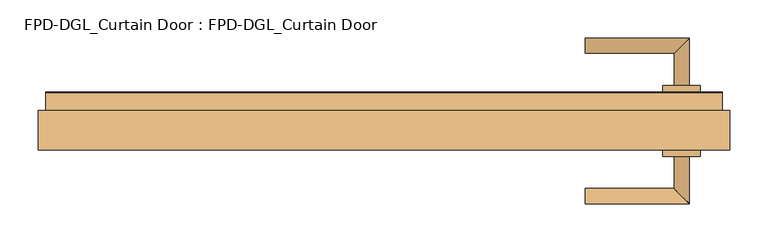
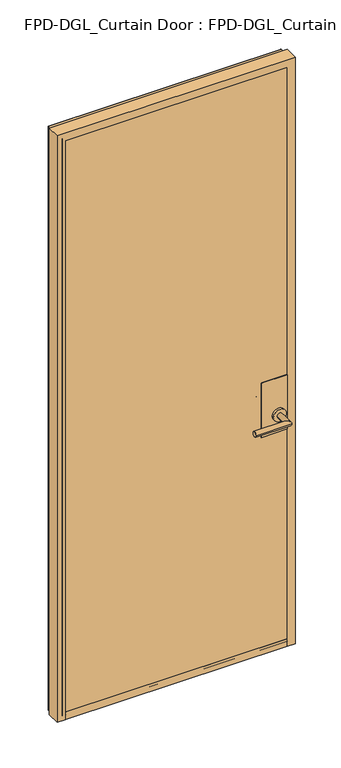
"""IFC4 building model written with IfcOpenShell, lengths in millimetres: door geometry, FPD-DGL_Curtain Door : FPD-DGL_Curtain Door."""

from ifc_helpers import new_model, si_unit, point, frame, frame_2d, origin, place, context, project, spatial, polyline, circle_curve, ellipse_curve, trimmed, segment, composite_curve, outline, extrude, source, transform, mapped, element, save
from ifc_brep_helpers import plane_surface, cylinder_surface, revolved_surface, advanced_brep


def fpd_dgl_curtain_door_fpd_dgl_curtain_door_d322583b(model_context):
    return source(origin(), model_context, "Body", "SolidModel", [
        advanced_brep(
        [(264.5094563, 89.1684274, 965.2), (264.5094563, 109.240371, 965.2), (381.3590967, 89.1684274, 965.2), (401.4310403, 109.240371, 965.2), (381.3590967, 46.5341787, 965.2), (401.4310403, 46.5341787, 965.2)],
        [
            (0, 1, circle_curve(frame((264.5094563, 99.2043992, 965.2), z_axis=(-1.0, 0.0, 0.0), x_axis=(0.0, 1.0, 0.0)), 10.0359718)),
            (1, 0, circle_curve(frame((264.5094563, 99.2043992, 965.2), z_axis=(-1.0, 0.0, 0.0), x_axis=(0.0, 1.0, 0.0)), 10.0359718)),
            (0, 2),
            (2, 3, ellipse_curve(frame((391.3950685, 99.2043992, 965.2), z_axis=(-0.7071067811865464, 0.7071067811865488, 0.0), x_axis=(-0.7071067811865487, -0.7071067811865464, 0.0)), 14.1930074, 10.0359718)),
            (3, 1),
            (3, 2, ellipse_curve(frame((391.3950685, 99.2043992, 965.2), z_axis=(-0.7071067811865464, 0.7071067811865488, 0.0), x_axis=(-0.7071067811865487, -0.7071067811865464, 0.0)), 14.1930074, 10.0359718)),
            (4, 5, circle_curve(frame((391.3950685, 46.5341787, 965.2), z_axis=(0.0, -1.0, 0.0), x_axis=(1.0, 0.0, 0.0)), 10.0359718)),
            (5, 4, circle_curve(frame((391.3950685, 46.5341787, 965.2), z_axis=(0.0, -1.0, 0.0), x_axis=(1.0, 0.0, 0.0)), 10.0359718)),
            (2, 4),
            (5, 3),
        ],
        [
            plane_surface(frame((264.5094563, 99.2043992, 965.2), z_axis=(-1.0, 0.0, 0.0), x_axis=(0.0, 0.0, 1.0))),
            cylinder_surface(frame((264.5094563, 99.2043992, 965.2), z_axis=(-1.0, 0.0, 0.0), x_axis=(0.0, 1.0, 0.0)), 10.0359718),
            plane_surface(frame((391.3950685, 46.5341787, 965.2), z_axis=(0.0, -1.0, 0.0), x_axis=(0.0, 0.0, 1.0))),
            cylinder_surface(frame((391.3950685, 99.2043992, 965.2), z_axis=(0.0, 1.0, 0.0), x_axis=(1.0, 0.0, 0.0)), 10.0359718),
        ],
        [
            (0, [[1, 2]]),
            (1, [[-1, 3, 4, 5]]),
            (1, [[-2, -5, 6, -3]]),
            (2, [[7, 8]]),
            (3, [[-4, 9, -8, 10]]),
            (3, [[-6, -10, -7, -9]]),
        ],
    ),
        advanced_brep(
        [(381.3590967, -46.3299066, 965.2), (401.4310403, -46.3299066, 965.2), (381.3590967, -88.9641553, 965.2), (401.4310403, -109.0360989, 965.2), (264.5094563, -88.9641553, 965.2), (264.5094563, -109.0360989, 965.2)],
        [
            (0, 1, circle_curve(frame((391.3950685, -46.3299066, 965.2), z_axis=(0.0, 1.0, 0.0), x_axis=(1.0, 0.0, 0.0)), 10.0359718)),
            (1, 0, circle_curve(frame((391.3950685, -46.3299066, 965.2), z_axis=(0.0, 1.0, 0.0), x_axis=(1.0, 0.0, 0.0)), 10.0359718)),
            (0, 2),
            (2, 3, ellipse_curve(frame((391.3950685, -99.0001271, 965.2), z_axis=(0.7071067811865487, 0.7071067811865464, 0.0), x_axis=(-0.7071067811865464, 0.7071067811865487, 0.0)), 14.1930074, 10.0359718)),
            (3, 1),
            (3, 2, ellipse_curve(frame((391.3950685, -99.0001271, 965.2), z_axis=(0.7071067811865487, 0.7071067811865464, 0.0), x_axis=(-0.7071067811865464, 0.7071067811865487, 0.0)), 14.1930074, 10.0359718)),
            (4, 5, circle_curve(frame((264.5094563, -99.0001271, 965.2), z_axis=(-1.0, 0.0, 0.0), x_axis=(0.0, -1.0, 0.0)), 10.0359718)),
            (5, 4, circle_curve(frame((264.5094563, -99.0001271, 965.2), z_axis=(-1.0, 0.0, 0.0), x_axis=(0.0, -1.0, 0.0)), 10.0359718)),
            (2, 4),
            (5, 3),
        ],
        [
            plane_surface(frame((391.3950685, -46.3299066, 965.2), z_axis=(0.0, 1.0, 0.0), x_axis=(0.0, 0.0, 1.0))),
            cylinder_surface(frame((391.3950685, -46.3299066, 965.2), z_axis=(0.0, 1.0, 0.0), x_axis=(1.0, 0.0, 0.0)), 10.0359718),
            plane_surface(frame((264.5094563, -99.0001271, 965.2), z_axis=(-1.0, 0.0, 0.0), x_axis=(0.0, 0.0, 1.0))),
            cylinder_surface(frame((391.3950685, -99.0001271, 965.2), z_axis=(1.0, 0.0, 0.0), x_axis=(0.0, -1.0, 0.0)), 10.0359718),
        ],
        [
            (0, [[1, 2]]),
            (1, [[-1, 3, 4, 5]]),
            (1, [[-2, -5, 6, -3]]),
            (2, [[7, 8]]),
            (3, [[-4, 9, -8, 10]]),
            (3, [[-6, -10, -7, -9]]),
        ],
    ),
        extrude(outline(composite_curve([segment(trimmed(circle_curve(frame_2d((965.2, 391.3950685)), 24.60625), [point((965.2, 366.7888185))], [point((965.2, 416.0013185))], False, "CARTESIAN"), True, "CONTINUOUS"), segment(trimmed(circle_curve(frame_2d((965.2, 391.3950685)), 24.60625), [point((965.2, 416.0013185))], [point((965.2, 366.7888185))], False, "CARTESIAN"), True, "CONTINUOUS")], self_intersect=False)), frame((0.0, -46.3299066, 0.0), z_axis=(0.0, 1.0, 0.0), x_axis=(0.0, 0.0, 1.0)), (0.0, 0.0, 1.0), 8.3298107),
        extrude(outline(composite_curve([segment(trimmed(circle_curve(frame_2d((965.2, 391.3950685)), 24.60625), [point((965.2, 366.7888185))], [point((965.2, 416.0013185))], False, "CARTESIAN"), True, "CONTINUOUS"), segment(trimmed(circle_curve(frame_2d((965.2, 391.3950685)), 24.60625), [point((965.2, 416.0013185))], [point((965.2, 366.7888185))], False, "CARTESIAN"), True, "CONTINUOUS")], self_intersect=False)), frame((0.0, 38.1999024, 0.0), z_axis=(0.0, 1.0, 0.0), x_axis=(0.0, 0.0, 1.0)), (0.0, 0.0, 1.0), 8.3342763),
        extrude(outline(polyline([(424.8951285, -38.0000959), (324.8950159, -38.0000959), (324.8950159, -36.6000989), (424.8951285, -36.6000989), (424.8951285, -38.0000959)])), frame((0.0, 0.0, 893.55), z_axis=(0.0, 0.0, 1.0), x_axis=(1.0, 0.0, 0.0)), (0.0, 0.0, 1.0), 220.0),
        extrude(outline(polyline([(424.8951285, 36.7999054), (324.8950159, 36.7999054), (324.8950159, 38.1999024), (424.8951285, 38.1999024), (424.8951285, 36.7999054)])), frame((0.0, 0.0, 893.55), z_axis=(0.0, 0.0, 1.0), x_axis=(1.0, 0.0, 0.0)), (0.0, 0.0, 1.0), 220.0),
        extrude(outline(polyline([(-435.4912996, 28.1030481), (-435.4912996, 36.7999054), (435.4912996, 36.7999054), (435.4912996, 28.1030481), (-435.4912996, 28.1030481)])), frame((0.0, 0.0, 35.2749614), z_axis=(0.0, 0.0, 1.0), x_axis=(1.0, 0.0, 0.0)), (0.0, 0.0, 1.0), 2331.3480058),
        extrude(outline(polyline([(435.4912996, -28.0762398), (435.4912996, -36.7730971), (-435.4912996, -36.7730971), (-435.4912996, -28.0762398), (435.4912996, -28.0762398)])), frame((0.0, 0.0, 35.2749614), z_axis=(0.0, 0.0, 1.0), x_axis=(1.0, 0.0, 0.0)), (0.0, 0.0, 1.0), 2331.3480058),
        advanced_brep(
        [(454.8842919, -38.0731917, 15.875), (424.8951285, -38.0731917, 15.875), (424.8951285, -36.773661, 15.875), (435.4912997, -36.773661, 15.875), (435.4912997, -28.076804, 15.875), (424.8951285, -28.076804, 15.875), (424.8951285, 28.1030481, 15.875), (435.4912996, 28.1030481, 15.875), (435.4912996, 36.7999054, 15.875), (424.8951285, 36.7999054, 15.875), (424.8951285, 38.0994357, 15.875), (443.7699186, 38.0994357, 15.875), (444.5696296, 37.2997247, 15.875), (444.5696296, 13.9501736, 15.875), (454.8842919, 13.9501736, 15.875), (454.8842919, -38.0731917, 2386.0159594), (-454.8842919, -38.0731917, 2386.0159594), (-454.8842919, -38.0731917, 15.875), (-424.8951285, -38.0731917, 15.875), (-424.8951285, -38.0731917, 2356.026796), (424.8951285, -38.0731917, 2356.026796), (424.8951285, -36.773661, 2356.026796), (-424.8951285, -36.773661, 2356.026796), (-424.8951285, -36.773661, 15.875), (-435.4912997, -36.773661, 15.875), (-435.4912997, -36.773661, 2366.6229672), (435.4912997, -36.773661, 2366.6229672), (435.4912997, -28.076804, 2366.6229672), (-435.4912997, -28.076804, 2366.6229672), (-435.4912997, -28.076804, 15.875), (-424.8951285, -28.076804, 15.875), (-424.8951285, -28.076804, 2356.026796), (424.8951285, -28.076804, 2356.026796), (424.8951285, 28.1030481, 2356.026796), (-424.8951285, 28.1030481, 2356.026796), (-424.8951285, 28.1030481, 15.875), (-435.4912996, 28.1030481, 15.875), (-435.4912996, 28.1030481, 2366.6229671), (435.4912996, 28.1030481, 2366.6229671), (435.4912996, 36.7999054, 2366.6229671), (-435.4912996, 36.7999054, 2366.6229671), (-435.4912996, 36.7999054, 15.875), (-424.8951285, 36.7999054, 15.875), (-424.8951285, 36.7999054, 2356.026796), (424.8951285, 36.7999054, 2356.026796), (424.8951285, 38.0994357, 2356.026796), (-424.8951285, 38.0994357, 2356.026796), (-424.8951285, 38.0994357, 15.875), (-443.7699186, 38.0994357, 15.875), (-443.7699186, 38.0994357, 2374.9015861), (443.7699186, 38.0994357, 2374.9015861), (444.5696296, 37.2997247, 2375.7012971), (444.5696296, 13.9501736, 2375.7012971), (-444.5696296, 13.9501736, 2375.7012971), (-444.5696296, 13.9501736, 15.875), (-454.8842919, 13.9501736, 15.875), (-454.8842919, 13.9501736, 2386.0159594), (454.8842919, 13.9501736, 2386.0159594), (-444.5696296, 37.2997247, 15.875), (-444.5696296, 37.2997247, 2375.7012971)],
        [
            (0, 1),
            (1, 2),
            (2, 3),
            (3, 4),
            (4, 5),
            (5, 6),
            (6, 7),
            (7, 8),
            (8, 9),
            (9, 10),
            (10, 11),
            (11, 12, circle_curve(frame((443.7699186, 37.2997247, 15.875), z_axis=(0.0, 0.0, -1.0), x_axis=(0.0, -1.0, 0.0)), 0.799711)),
            (12, 13),
            (13, 14),
            (14, 0),
            (0, 15),
            (15, 16),
            (16, 17),
            (17, 18),
            (18, 19),
            (19, 20),
            (20, 1),
            (20, 21),
            (21, 2),
            (21, 22),
            (22, 23),
            (23, 24),
            (24, 25),
            (25, 26),
            (26, 3),
            (26, 27),
            (27, 4),
            (27, 28),
            (28, 29),
            (29, 30),
            (30, 31),
            (31, 32),
            (32, 5),
            (32, 33),
            (33, 6),
            (33, 34),
            (34, 35),
            (35, 36),
            (36, 37),
            (37, 38),
            (38, 7),
            (38, 39),
            (39, 8),
            (39, 40),
            (40, 41),
            (41, 42),
            (42, 43),
            (43, 44),
            (44, 9),
            (44, 45),
            (45, 10),
            (45, 46),
            (46, 47),
            (47, 48),
            (48, 49),
            (49, 50),
            (50, 11),
            (50, 51, ellipse_curve(frame((443.7699186, 37.2997247, 2374.9015861), z_axis=(0.7071067811865475, 0.0, -0.7071067811865475), x_axis=(-0.7071067811865474, 0.0, -0.7071067811865476)), 1.1309622, 0.799711)),
            (51, 12),
            (51, 52),
            (52, 13),
            (52, 53),
            (53, 54),
            (54, 55),
            (55, 56),
            (56, 57),
            (57, 14),
            (57, 15),
            (16, 56),
            (55, 17),
            (54, 58),
            (58, 48, circle_curve(frame((-443.7699186, 37.2997247, 15.875), z_axis=(0.0, 0.0, -1.0), x_axis=(0.0, -1.0, 0.0)), 0.799711)),
            (47, 42),
            (41, 36),
            (35, 30),
            (29, 24),
            (23, 18),
            (22, 19),
            (28, 25),
            (34, 31),
            (40, 37),
            (46, 43),
            (59, 49, ellipse_curve(frame((-443.7699186, 37.2997247, 2374.9015861), z_axis=(-0.7071067811865475, 0.0, -0.7071067811865475), x_axis=(-0.7071067811865474, 0.0, 0.7071067811865476)), 1.1309622, 0.799711)),
            (58, 59),
            (53, 59),
            (59, 51),
        ],
        [
            plane_surface(frame((454.8842919, 0.0134041, 15.875), z_axis=(0.0, 0.0, -1.0), x_axis=(0.0, -1.0, 0.0))),
            plane_surface(frame((454.8842919, -38.0731917, 15.875), z_axis=(0.0, -1.0, 0.0), x_axis=(0.0, 0.0, 1.0))),
            plane_surface(frame((424.8951285, -38.0731917, 15.875), z_axis=(-1.0, 0.0, 0.0), x_axis=(0.0, 0.0, 1.0))),
            plane_surface(frame((424.8951285, -36.773661, 15.875), z_axis=(0.0, 1.0, 0.0), x_axis=(0.0, 0.0, 1.0))),
            plane_surface(frame((435.4912997, -36.773661, 15.875), z_axis=(-1.0, 0.0, 0.0), x_axis=(0.0, 0.0, 1.0))),
            plane_surface(frame((435.4912997, -28.076804, 15.875), z_axis=(0.0, -1.0, 0.0), x_axis=(0.0, 0.0, 1.0))),
            plane_surface(frame((424.8951285, -28.076804, 15.875), z_axis=(-1.0, 0.0, 0.0), x_axis=(0.0, 0.0, 1.0))),
            plane_surface(frame((424.8951285, 28.1030481, 15.875), z_axis=(0.0, 1.0, 0.0), x_axis=(0.0, 0.0, 1.0))),
            plane_surface(frame((435.4912996, 28.1030481, 15.875), z_axis=(-1.0, 0.0, 0.0), x_axis=(0.0, 0.0, 1.0))),
            plane_surface(frame((435.4912996, 36.7999054, 15.875), z_axis=(0.0, -1.0, 0.0), x_axis=(0.0, 0.0, 1.0))),
            plane_surface(frame((424.8951285, 36.7999054, 15.875), z_axis=(-1.0, 0.0, 0.0), x_axis=(0.0, 0.0, 1.0))),
            plane_surface(frame((424.8951285, 38.0994357, 15.875), z_axis=(0.0, 1.0, 0.0), x_axis=(0.0, 0.0, 1.0))),
            cylinder_surface(frame((443.7699186, 37.2997247, 15.875), z_axis=(0.0, 0.0, -1.0), x_axis=(0.0, -1.0, 0.0)), 0.799711),
            plane_surface(frame((444.5696296, 37.2997247, 15.875), z_axis=(1.0, 0.0, 0.0), x_axis=(0.0, 0.0, 1.0))),
            plane_surface(frame((444.5696296, 13.9501736, 15.875), z_axis=(0.0, 1.0, 0.0), x_axis=(0.0, 0.0, 1.0))),
            plane_surface(frame((454.8842919, 13.9501736, 15.875), z_axis=(1.0, 0.0, 0.0), x_axis=(0.0, 0.0, 1.0))),
            plane_surface(frame((-454.8842919, 13.9501736, 2386.0159594), z_axis=(-1.0, 0.0, 0.0), x_axis=(0.0, 0.0, -1.0))),
            plane_surface(frame((-454.8842919, 0.0134041, 15.875), z_axis=(0.0, 0.0, -1.0), x_axis=(0.0, -1.0, 0.0))),
            plane_surface(frame((-424.8951285, -38.0731917, 2356.026796), z_axis=(1.0, 0.0, 0.0), x_axis=(0.0, 0.0, -1.0))),
            plane_surface(frame((-435.4912997, -36.773661, 2366.6229672), z_axis=(1.0, 0.0, 0.0), x_axis=(0.0, 0.0, -1.0))),
            plane_surface(frame((-424.8951285, -28.076804, 2356.026796), z_axis=(1.0, 0.0, 0.0), x_axis=(0.0, 0.0, -1.0))),
            plane_surface(frame((-435.4912996, 28.1030481, 2366.6229671), z_axis=(1.0, 0.0, 0.0), x_axis=(0.0, 0.0, -1.0))),
            plane_surface(frame((-424.8951285, 36.7999054, 2356.026796), z_axis=(1.0, 0.0, 0.0), x_axis=(0.0, 0.0, -1.0))),
            cylinder_surface(frame((-443.7699186, 37.2997247, 2386.0159594), z_axis=(0.0, 0.0, 1.0), x_axis=(0.0, -1.0, 0.0)), 0.799711),
            plane_surface(frame((-444.5696296, 37.2997247, 2375.7012971), z_axis=(-1.0, 0.0, 0.0), x_axis=(0.0, 0.0, -1.0))),
            plane_surface(frame((424.8951285, -38.0731917, 2356.026796), z_axis=(0.0, 0.0, -1.0), x_axis=(-1.0, 0.0, 0.0))),
            plane_surface(frame((435.4912997, -36.773661, 2366.6229672), z_axis=(0.0, 0.0, -1.0), x_axis=(-1.0, 0.0, 0.0))),
            plane_surface(frame((424.8951285, -28.076804, 2356.026796), z_axis=(0.0, 0.0, -1.0), x_axis=(-1.0, 0.0, 0.0))),
            plane_surface(frame((435.4912996, 28.1030481, 2366.6229671), z_axis=(0.0, 0.0, -1.0), x_axis=(-1.0, 0.0, 0.0))),
            plane_surface(frame((424.8951285, 36.7999054, 2356.026796), z_axis=(0.0, 0.0, -1.0), x_axis=(-1.0, 0.0, 0.0))),
            cylinder_surface(frame((454.8842919, 37.2997247, 2374.9015861), z_axis=(1.0, 0.0, 0.0), x_axis=(0.0, -1.0, 0.0)), 0.799711),
            plane_surface(frame((444.5696296, 37.2997247, 2375.7012971), z_axis=(0.0, 0.0, 1.0), x_axis=(-1.0, 0.0, 0.0))),
            plane_surface(frame((454.8842919, 13.9501736, 2386.0159594), z_axis=(0.0, 0.0, 1.0), x_axis=(-1.0, 0.0, 0.0))),
        ],
        [
            (0, [[1, 2, 3, 4, 5, 6, 7, 8, 9, 10, 11, 12, 13, 14, 15]]),
            (1, [[-1, 16, 17, 18, 19, 20, 21, 22]]),
            (2, [[-2, -22, 23, 24]]),
            (3, [[-3, -24, 25, 26, 27, 28, 29, 30]]),
            (4, [[-4, -30, 31, 32]]),
            (5, [[-5, -32, 33, 34, 35, 36, 37, 38]]),
            (6, [[-6, -38, 39, 40]]),
            (7, [[-7, -40, 41, 42, 43, 44, 45, 46]]),
            (8, [[-8, -46, 47, 48]]),
            (9, [[-9, -48, 49, 50, 51, 52, 53, 54]]),
            (10, [[-10, -54, 55, 56]]),
            (11, [[-11, -56, 57, 58, 59, 60, 61, 62]]),
            (12, [[-12, -62, 63, 64]]),
            (13, [[-13, -64, 65, 66]]),
            (14, [[-14, -66, 67, 68, 69, 70, 71, 72]]),
            (15, [[-15, -72, 73, -16]]),
            (16, [[74, -70, 75, -18]]),
            (17, [[-75, -69, 76, 77, -59, 78, -51, 79, -43, 80, -35, 81, -27, 82, -19]]),
            (18, [[83, -20, -82, -26]]),
            (19, [[84, -28, -81, -34]]),
            (20, [[85, -36, -80, -42]]),
            (21, [[86, -44, -79, -50]]),
            (22, [[87, -52, -78, -58]]),
            (23, [[88, -60, -77, 89]]),
            (24, [[90, -89, -76, -68]]),
            (25, [[-23, -21, -83, -25]]),
            (26, [[-31, -29, -84, -33]]),
            (27, [[-39, -37, -85, -41]]),
            (28, [[-47, -45, -86, -49]]),
            (29, [[-55, -53, -87, -57]]),
            (30, [[-63, -61, -88, 91]]),
            (31, [[-65, -91, -90, -67]]),
            (32, [[-73, -71, -74, -17]]),
        ],
    ),
        advanced_brep(
        [(424.8951285, 28.127892, 45.8749402), (424.8951285, -28.0721576, 45.8749402), (424.8951285, -28.0721576, 35.2749614), (424.8951285, -36.2721409, 35.2749614), (424.8951285, -36.7721399, 35.7749604), (424.8951285, -36.7721402, 43.0952793), (424.8951285, -36.6721405, 44.0749436), (424.8951285, -36.6721405, 45.8749402), (424.8951285, -38.0721375, 45.8749402), (424.8951285, -38.0721375, 15.875), (424.8951285, 37.3278641, 15.875), (424.8951285, 38.1278625, 16.6749984), (424.8951285, 38.1278625, 45.8749402), (424.8951285, 36.7278654, 45.8749402), (424.8951285, 36.7278654, 44.0749434), (424.8951285, 36.8278651, 43.0952791), (424.8951285, 36.8278651, 35.2749613), (424.8951285, 28.127892, 35.2749613), (-425.1725496, 28.127892, 45.8749402), (-425.1725496, 28.127892, 35.2749613), (-425.1725496, 36.8278651, 35.2749613), (-425.1725496, 36.8278651, 43.0952791), (-425.1725496, 36.7278654, 44.0749434), (-425.1725496, 36.7278654, 45.8749402), (-425.1725496, 38.1278625, 45.8749402), (-425.1725496, 38.1278625, 16.6749984), (-425.1725496, 37.3278641, 15.875), (-425.1725496, -38.0721375, 15.875), (-425.1725496, -38.0721375, 45.8749402), (-425.1725496, -36.6721405, 45.8749402), (-425.1725496, -36.6721405, 44.0749436), (-425.1725496, -36.7721402, 43.0952793), (-425.1725496, -36.7721402, 35.7749604), (-425.1725496, -36.2721409, 35.2749614), (-425.1725496, -28.0721576, 35.2749614), (-425.1725496, -28.0721576, 45.8749402)],
        [
            (0, 1),
            (1, 2),
            (2, 3),
            (3, 4, circle_curve(frame((424.8951285, -36.2721409, 35.7749604), z_axis=(-1.0, 0.0, 0.0), x_axis=(0.0, 0.0, -1.0)), 0.499999)),
            (4, 5),
            (5, 6),
            (6, 7),
            (7, 8),
            (8, 9),
            (9, 10),
            (10, 11, circle_curve(frame((424.8951285, 37.3278641, 16.6749984), z_axis=(1.0, 0.0, 0.0), x_axis=(0.0, 0.0, -1.0)), 0.7999984)),
            (11, 12),
            (12, 13),
            (13, 14),
            (14, 15),
            (15, 16),
            (16, 17),
            (17, 0),
            (18, 19),
            (19, 20),
            (20, 21),
            (21, 22),
            (22, 23),
            (23, 24),
            (24, 25),
            (25, 26, circle_curve(frame((-425.1725496, 37.3278641, 16.6749984), z_axis=(-1.0, 0.0, 0.0), x_axis=(0.0, 0.0, -1.0)), 0.7999984)),
            (26, 27),
            (27, 28),
            (28, 29),
            (29, 30),
            (30, 31),
            (31, 32),
            (32, 33, circle_curve(frame((-425.1725496, -36.2721409, 35.7749604), z_axis=(1.0, 0.0, 0.0), x_axis=(0.0, 0.0, -1.0)), 0.499999)),
            (33, 34),
            (34, 35),
            (35, 18),
            (0, 18),
            (35, 1),
            (34, 2),
            (33, 3),
            (32, 4),
            (31, 5),
            (30, 6),
            (29, 7),
            (28, 8),
            (27, 9),
            (26, 10),
            (25, 11),
            (24, 12),
            (23, 13),
            (22, 14),
            (21, 15),
            (20, 16),
            (19, 17),
        ],
        [
            plane_surface(frame((424.8951285, 0.0134041, 15.875), z_axis=(1.0, 0.0, 0.0), x_axis=(0.0, -1.0, 0.0))),
            plane_surface(frame((-425.1725496, 0.0134041, 15.875), z_axis=(-1.0, 0.0, 0.0), x_axis=(0.0, -1.0, 0.0))),
            plane_surface(frame((424.8951285, 28.127892, 45.8749402), z_axis=(0.0, 0.0, 1.0), x_axis=(-1.0, 0.0, 0.0))),
            plane_surface(frame((424.8951285, -28.0721576, 45.8749402), z_axis=(0.0, -1.0, 0.0), x_axis=(-1.0, 0.0, 0.0))),
            plane_surface(frame((424.8951285, -28.0721576, 35.2749614), z_axis=(0.0, 0.0, 1.0), x_axis=(-1.0, 0.0, 0.0))),
            revolved_surface(polyline([(-425.17254959999997, -36.2721409, 35.274961399999995), (424.8951285, -36.2721409, 35.274961399999995)]), (424.8951285, -36.2721409, 35.7749604), (-1.0, 0.0, 0.0)),
            plane_surface(frame((424.8951285, -36.7721402, 35.7749604), z_axis=(0.0, 1.0, 0.0), x_axis=(-1.0, 0.0, 0.0))),
            plane_surface(frame((424.8951285, -36.7721402, 43.0952793), z_axis=(0.0, 0.9948306566600448, -0.10154784374541988), x_axis=(-1.0, 0.0, 0.0))),
            plane_surface(frame((424.8951285, -36.6721405, 44.0749436), z_axis=(0.0, 1.0, 0.0), x_axis=(-1.0, 0.0, 0.0))),
            plane_surface(frame((424.8951285, -36.6721405, 45.8749402), z_axis=(0.0, 0.0, 1.0), x_axis=(-1.0, 0.0, 0.0))),
            plane_surface(frame((424.8951285, -38.0721375, 45.8749402), z_axis=(0.0, -1.0, 0.0), x_axis=(-1.0, 0.0, 0.0))),
            plane_surface(frame((424.8951285, -38.0721375, 15.875), z_axis=(0.0, 0.0, -1.0), x_axis=(-1.0, 0.0, 0.0))),
            cylinder_surface(frame((424.8951285, 37.3278641, 16.6749984), z_axis=(1.0, 0.0, 0.0), x_axis=(0.0, 0.0, -1.0)), 0.7999984),
            plane_surface(frame((424.8951285, 38.1278625, 16.6749984), z_axis=(0.0, 1.0, 0.0), x_axis=(-1.0, 0.0, 0.0))),
            plane_surface(frame((424.8951285, 38.1278625, 45.8749402), z_axis=(0.0, 0.0, 1.0), x_axis=(-1.0, 0.0, 0.0))),
            plane_surface(frame((424.8951285, 36.7278654, 45.8749402), z_axis=(0.0, -1.0, 0.0), x_axis=(-1.0, 0.0, 0.0))),
            plane_surface(frame((424.8951285, 36.7278654, 44.0749434), z_axis=(0.0, -0.9948306566625575, -0.10154784372080249), x_axis=(-1.0, 0.0, 0.0))),
            plane_surface(frame((424.8951285, 36.8278651, 43.0952791), z_axis=(0.0, -1.0, 0.0), x_axis=(-1.0, 0.0, 0.0))),
            plane_surface(frame((424.8951285, 36.8278651, 35.2749613), z_axis=(0.0, 0.0, 1.0), x_axis=(-1.0, 0.0, 0.0))),
            plane_surface(frame((424.8951285, 28.127892, 35.2749613), z_axis=(0.0, 1.0, 0.0), x_axis=(-1.0, 0.0, 0.0))),
        ],
        [
            (0, [[1, 2, 3, 4, 5, 6, 7, 8, 9, 10, 11, 12, 13, 14, 15, 16, 17, 18]]),
            (1, [[19, 20, 21, 22, 23, 24, 25, 26, 27, 28, 29, 30, 31, 32, 33, 34, 35, 36]]),
            (2, [[-1, 37, -36, 38]]),
            (3, [[-2, -38, -35, 39]]),
            (4, [[-3, -39, -34, 40]]),
            (5, [[-4, -40, -33, 41]]),
            (6, [[-5, -41, -32, 42]]),
            (7, [[-6, -42, -31, 43]]),
            (8, [[-7, -43, -30, 44]]),
            (9, [[-8, -44, -29, 45]]),
            (10, [[-9, -45, -28, 46]]),
            (11, [[-10, -46, -27, 47]]),
            (12, [[-11, -47, -26, 48]]),
            (13, [[-12, -48, -25, 49]]),
            (14, [[-13, -49, -24, 50]]),
            (15, [[-14, -50, -23, 51]]),
            (16, [[-15, -51, -22, 52]]),
            (17, [[-16, -52, -21, 53]]),
            (18, [[-17, -53, -20, 54]]),
            (19, [[-18, -54, -19, -37]]),
        ],
    ),
    ])


if __name__ == "__main__":
    model = new_model("IFC4")
    model_context = context("Model", 3, world=origin())
    ifc_project = project(units=[si_unit("LENGTHUNIT", "METRE", prefix="MILLI")], contexts=[model_context])
    site = spatial("IfcSite", under=ifc_project)
    building = spatial("IfcBuilding", under=site)
    placement = place(None, origin())
    fpd_dgl_curtain_door_fpd_dgl_curtain_door_shape = fpd_dgl_curtain_door_fpd_dgl_curtain_door_d322583b(model_context)
    element("IfcDoor", 1, ObjectType="FPD-DGL_Curtain Door : FPD-DGL_Curtain Door", at=placement, inside=building, context=model_context, shape_type="MappedRepresentation", body=[
        mapped(fpd_dgl_curtain_door_fpd_dgl_curtain_door_shape, transform((0.0, 0.0, 0.0), x_axis=(1.0, 0.0, 0.0), y_axis=(0.0, 1.0, 0.0), z_axis=(0.0, 0.0, 1.0))),
    ])
    save(model, "model.ifc")
